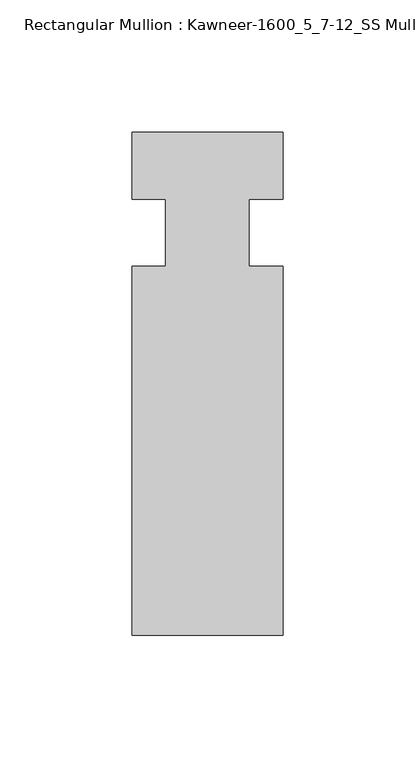
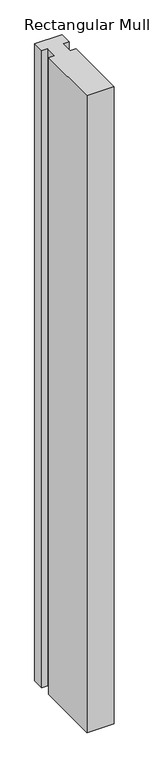
"""IFC4 building model written with IfcOpenShell, lengths in millimetres: member geometry, Rectangular Mullion : Kawneer-1600_5_7-12_SS Mullion_Horizontal."""

from ifc_helpers import new_model, si_unit, frame, origin, place, context, project, spatial, polyline, outline, extrude, source, transform, mapped, element, save


def rectangular_mullion_kawneer_1600_5_7_12_ss_mullion_29f416c4(model_context):
    return source(origin(), model_context, "Body", "SweptSolid", [
        extrude(outline(polyline([(32.9094027, -152.4), (-24.2405973, -152.4), (-24.2405973, -12.7), (-11.5405973, -12.7), (-11.5405973, 12.7), (-24.2405973, 12.7), (-24.2405973, 38.1), (32.9094027, 38.1), (32.9094027, 12.7), (20.2076322, 12.7), (20.2076322, -12.7), (32.9094027, -12.7), (32.9094027, -152.4)])), frame((0.0, 0.0, -1416.05), z_axis=(0.0, 0.0, 1.0), x_axis=(1.0, 0.0, 0.0)), (0.0, 0.0, 1.0), 1416.05),
    ])


if __name__ == "__main__":
    model = new_model("IFC4")
    model_context = context("Model", 3, world=origin())
    ifc_project = project(units=[si_unit("LENGTHUNIT", "METRE", prefix="MILLI")], contexts=[model_context])
    site = spatial("IfcSite", under=ifc_project)
    building = spatial("IfcBuilding", under=site)
    placement = place(None, origin())
    rectangular_mullion_kawneer_1600_5_7_12_ss_mullion_shape = rectangular_mullion_kawneer_1600_5_7_12_ss_mullion_29f416c4(model_context)
    element("IfcMember", 1, ObjectType="Rectangular Mullion : Kawneer-1600_5_7-12_SS Mullion_Horizontal", at=placement, inside=building, context=model_context, shape_type="MappedRepresentation", body=[
        mapped(rectangular_mullion_kawneer_1600_5_7_12_ss_mullion_shape, transform((0.0, 0.0, 0.0), x_axis=(1.0, 0.0, 0.0), y_axis=(0.0, 1.0, 0.0), z_axis=(0.0, 0.0, 1.0))),
    ])
    save(model, "model.ifc")
